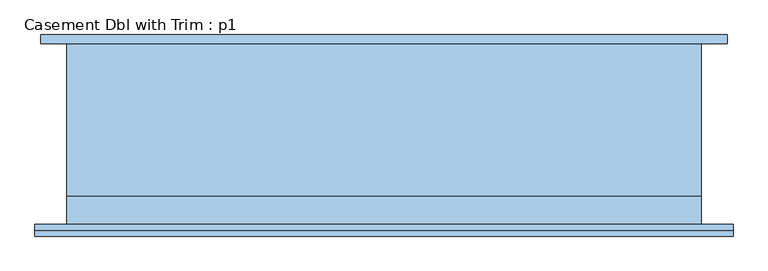
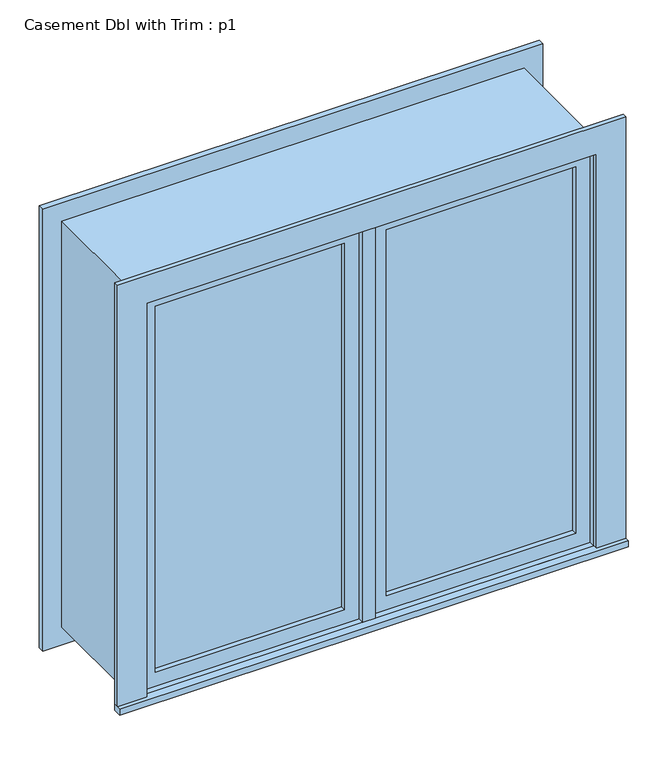
"""IFC4 building model written with IfcOpenShell, lengths in millimetres: window geometry, Casement Dbl with Trim : p1."""

from ifc_helpers import new_model, si_unit, frame, origin, place, context, project, spatial, polyline, outline, extrude, source, transform, mapped, element, save


def casement_dbl_with_trim_p1_d3e30a2f(model_context):
    return source(origin(), model_context, "Body", "SweptSolid", [
        extrude(outline(polyline([(63.5, -184.125), (63.5, -171.425), (636.5, -171.425), (636.5, -184.125), (63.5, -184.125)])), frame((0.0, 0.0, 1282.7), z_axis=(0.0, 0.0, 1.0), x_axis=(1.0, 0.0, 0.0)), (0.0, 0.0, 1.0), 1173.0),
        extrude(outline(polyline([(2500.15, 19.05), (1238.25, 19.05), (1238.25, 680.95), (2500.15, 680.95), (2500.15, 19.05)]), holes=[polyline([(2455.7, 63.5), (2455.7, 636.5), (1282.7, 636.5), (1282.7, 63.5), (2455.7, 63.5)])]), frame((0.0, -200.0, 0.0), z_axis=(0.0, 1.0, 0.0), x_axis=(0.0, 0.0, 1.0)), (0.0, 0.0, 1.0), 44.45),
        extrude(outline(polyline([(19.05, -155.55), (19.05, -219.05), (-19.05, -219.05), (-19.05, -155.55), (19.05, -155.55)])), frame((0.0, 0.0, 1238.25), z_axis=(0.0, 0.0, 1.0), x_axis=(1.0, 0.0, 0.0)), (0.0, 0.0, 1.0), 1261.9),
        extrude(outline(polyline([(-769.85, -244.45), (-769.85, -219.05), (769.85, -219.05), (769.85, -244.45), (-769.85, -244.45)])), frame((0.0, 0.0, 1219.2), z_axis=(0.0, 0.0, 1.0), x_axis=(1.0, 0.0, 0.0)), (0.0, 0.0, 1.0), 19.05),
        extrude(outline(polyline([(2500.15, -680.95), (2500.15, 680.95), (1238.25, 680.95), (1238.25, 769.85), (2589.05, 769.85), (2589.05, -769.85), (1238.25, -769.85), (1238.25, -680.95), (2500.15, -680.95)])), frame((0.0, -231.75, 0.0), z_axis=(0.0, 1.0, 0.0), x_axis=(0.0, 0.0, 1.0)), (0.0, 0.0, 1.0), 12.7),
        extrude(outline(polyline([(2576.35, 757.15), (2576.35, -757.15), (1162.05, -757.15), (1162.05, 757.15), (2576.35, 757.15)]), holes=[polyline([(2487.45, 668.25), (1250.95, 668.25), (1250.95, -668.25), (2487.45, -668.25), (2487.45, 668.25)])]), frame((0.0, 180.95, 0.0), z_axis=(0.0, 1.0, 0.0), x_axis=(0.0, 0.0, 1.0)), (0.0, 0.0, 1.0), 19.05),
        extrude(outline(polyline([(-63.5, -171.425), (-63.5, -184.125), (-636.5, -184.125), (-636.5, -171.425), (-63.5, -171.425)])), frame((0.0, 0.0, 1282.7), z_axis=(0.0, 0.0, 1.0), x_axis=(1.0, 0.0, 0.0)), (0.0, 0.0, 1.0), 1173.0),
        extrude(outline(polyline([(2500.15, -680.95), (1238.25, -680.95), (1238.25, -19.05), (2500.15, -19.05), (2500.15, -680.95)]), holes=[polyline([(2455.7, -636.5), (2455.7, -63.5), (1282.7, -63.5), (1282.7, -636.5), (2455.7, -636.5)])]), frame((0.0, -200.0, 0.0), z_axis=(0.0, 1.0, 0.0), x_axis=(0.0, 0.0, 1.0)), (0.0, 0.0, 1.0), 44.45),
        extrude(outline(polyline([(2519.2, -700.0), (1219.2, -700.0), (1219.2, 700.0), (2519.2, 700.0), (2519.2, -700.0)]), holes=[polyline([(2487.45, -668.25), (2487.45, 668.25), (1250.95, 668.25), (1250.95, -668.25), (2487.45, -668.25)])]), frame((0.0, -155.55, 0.0), z_axis=(0.0, 1.0, 0.0), x_axis=(0.0, 0.0, 1.0)), (0.0, 0.0, 1.0), 336.5),
        extrude(outline(polyline([(2519.2, 700.0), (2519.2, -700.0), (1219.2, -700.0), (1219.2, 700.0), (2519.2, 700.0)]), holes=[polyline([(2500.15, 680.95), (1238.25, 680.95), (1238.25, -680.95), (2500.15, -680.95), (2500.15, 680.95)])]), frame((0.0, -219.05, 0.0), z_axis=(0.0, 1.0, 0.0), x_axis=(0.0, 0.0, 1.0)), (0.0, 0.0, 1.0), 63.5),
    ])


if __name__ == "__main__":
    model = new_model("IFC4")
    model_context = context("Model", 3, world=origin())
    ifc_project = project(units=[si_unit("LENGTHUNIT", "METRE", prefix="MILLI")], contexts=[model_context])
    site = spatial("IfcSite", under=ifc_project)
    building = spatial("IfcBuilding", under=site)
    placement = place(None, origin())
    casement_dbl_with_trim_p1_shape = casement_dbl_with_trim_p1_d3e30a2f(model_context)
    element("IfcWindow", 1, ObjectType="Casement Dbl with Trim : p1", at=placement, inside=building, context=model_context, shape_type="MappedRepresentation", body=[
        mapped(casement_dbl_with_trim_p1_shape, transform((0.0, 0.0, 0.0), x_axis=(1.0, 0.0, 0.0), y_axis=(0.0, 1.0, 0.0), z_axis=(0.0, 0.0, 1.0))),
    ])
    save(model, "model.ifc")
